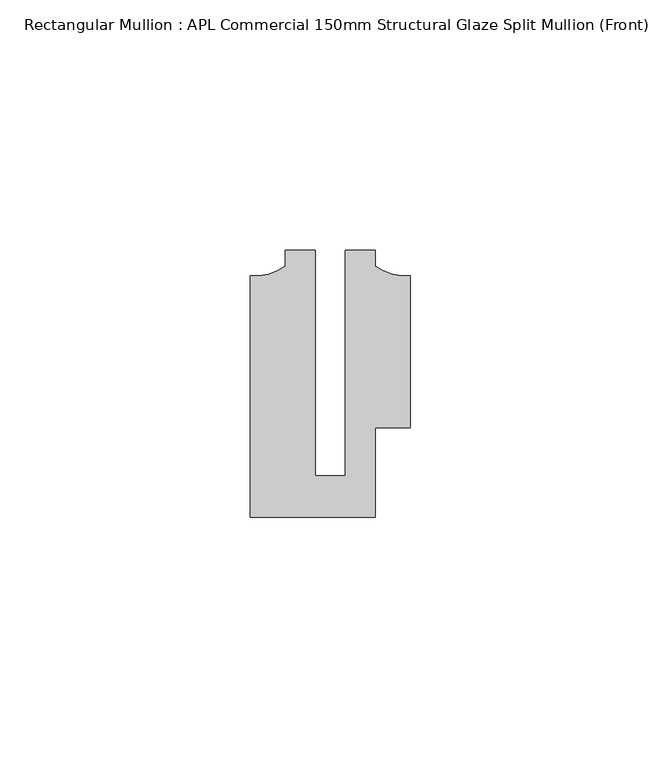
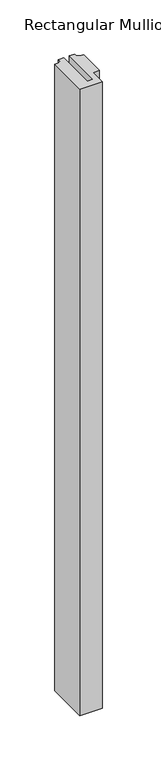
"""IFC4 building model written with IfcOpenShell, lengths in millimetres: member geometry, Rectangular Mullion : APL Commercial 150mm Structural Glaze Split Mullion (Front)."""

import ifcopenshell
import ifcopenshell.guid

model = None  # the IFC model being written
_history = None  # IfcOwnerHistory: only IFC2X3 demands one
_inside = {}  # id of a spatial element -> (the spatial element, [elements in it])
_under = {}  # id of a project, library or spatial element -> (it, [spatial elements below it])
_declared = {}  # id of a project -> (the project, [libraries it declares])
_typed = {}  # id of a type object -> (the type object, [elements of that type])
_made_of = {}  # id of a material, layer set ... -> (it, [elements and type objects made of it])


def new_model(schema):
    """Start an empty IFC model of exactly this schema.

    Asked for "IFC4X3", IfcOpenShell would pick the latest addendum, in which some entities
    have other attributes; the version numbers below select the first issue.
    IFC2X3 requires an IfcOwnerHistory on every rooted entity: one is made here for all.
    """
    global model, _history
    if schema == "IFC4X3":
        model = ifcopenshell.file(schema_version=(4, 3, 0, 0))
    else:
        model = ifcopenshell.file(schema=schema)
    _inside.clear()
    _under.clear()
    _declared.clear()
    _typed.clear()
    _made_of.clear()
    _history = None
    if model.schema == "IFC2X3":
        org = make("IfcOrganization", Name="unknown")
        user = make(
            "IfcPersonAndOrganization",
            ThePerson=make("IfcPerson", FamilyName="unknown"),
            TheOrganization=org,
        )
        app = make(
            "IfcApplication",
            ApplicationDeveloper=org,
            Version="unknown",
            ApplicationFullName="unknown",
            ApplicationIdentifier="unknown",
        )
        _history = make(
            "IfcOwnerHistory",
            OwningUser=user,
            OwningApplication=app,
            ChangeAction="ADDED",
            CreationDate=0,
        )
    return model


def make(cls, **values):
    """One entity of the class cls with the attributes given. An attribute that is None is left unset."""
    return model.create_entity(
        cls, **{name: value for name, value in values.items() if value is not None}
    )


def rooted(cls, **values):
    """An entity with a GlobalId (a new one), such as an element, a storey or a relation."""
    return make(cls, GlobalId=ifcopenshell.guid.new(), OwnerHistory=_history, **values)


def si_unit(unit_type, name, prefix=None):
    """IfcSIUnit, for example si_unit("LENGTHUNIT", "METRE", prefix="MILLI")."""
    return make("IfcSIUnit", UnitType=unit_type, Prefix=prefix, Name=name)


def assignment(units):
    """IfcUnitAssignment: the units of a project."""
    return None if units is None else make("IfcUnitAssignment", Units=units)


def point(xyz):
    """IfcCartesianPoint."""
    return None if xyz is None else make("IfcCartesianPoint", Coordinates=xyz)


def direction(xyz):
    """IfcDirection."""
    return None if xyz is None else make("IfcDirection", DirectionRatios=xyz)


def frame(location, z_axis=None, x_axis=None):
    """IfcAxis2Placement3D, a coordinate frame: its origin and axes. An axis left out is left unset."""
    return make(
        "IfcAxis2Placement3D",
        Location=point(location),
        Axis=direction(z_axis),
        RefDirection=direction(x_axis),
    )


def frame_2d(location, x_axis=None):
    """IfcAxis2Placement2D, a coordinate frame in the plane: its origin and x axis."""
    return make(
        "IfcAxis2Placement2D", Location=point(location), RefDirection=direction(x_axis)
    )


def origin():
    """The frame at (0, 0, 0) with its axes left unset."""
    return frame((0.0, 0.0, 0.0))


def place(relative_to, where):
    """IfcLocalPlacement: puts the frame where relative to a parent placement (None: the world)."""
    return make(
        "IfcLocalPlacement", PlacementRelTo=relative_to, RelativePlacement=where
    )


def context(
    kind, dimensions, precision=None, world=None, true_north=None, identifier=None
):
    """IfcGeometricRepresentationContext, for example the 3D "Model" context."""
    return make(
        "IfcGeometricRepresentationContext",
        ContextIdentifier=identifier,
        ContextType=kind,
        CoordinateSpaceDimension=dimensions,
        Precision=precision,
        WorldCoordinateSystem=world,
        TrueNorth=true_north,
    )


def project(units=None, contexts=None):
    """IfcProject with its units and contexts."""
    return rooted(
        "IfcProject",
        Name="project",
        RepresentationContexts=contexts,
        UnitsInContext=assignment(units),
    )


def spatial(cls, under=None, at=None, **own):
    """A site, building, storey or space (cls), placed at a placement, below another one or the project."""
    s = rooted(cls, ObjectPlacement=at, **own)
    if under is not None:
        _under.setdefault(under.id(), (under, []))[1].append(s)
    return s


def polyline(points):
    """IfcPolyline through the points."""
    return make("IfcPolyline", Points=[point(p) for p in points])


def circle_curve(where, radius):
    """IfcCircle in the frame where."""
    return make("IfcCircle", Position=where, Radius=radius)


def trimmed(basis, trim1, trim2, sense, master):
    """IfcTrimmedCurve: the piece of a basis curve between two trims."""
    return make(
        "IfcTrimmedCurve",
        BasisCurve=basis,
        Trim1=trim1,
        Trim2=trim2,
        SenseAgreement=sense,
        MasterRepresentation=master,
    )


def segment(curve, same_sense, transition):
    """IfcCompositeCurveSegment."""
    return make(
        "IfcCompositeCurveSegment",
        Transition=transition,
        SameSense=same_sense,
        ParentCurve=curve,
    )


def composite_curve(segments, self_intersect=None):
    """IfcCompositeCurve: segments joined end to end."""
    return make("IfcCompositeCurve", Segments=segments, SelfIntersect=self_intersect)


def outline(outer, holes=None, kind="AREA"):
    """IfcArbitraryClosedProfileDef: a profile drawn as a closed curve; with holes, ...WithVoids."""
    if holes is None:
        return make("IfcArbitraryClosedProfileDef", ProfileType=kind, OuterCurve=outer)
    return make(
        "IfcArbitraryProfileDefWithVoids",
        ProfileType=kind,
        OuterCurve=outer,
        InnerCurves=holes,
    )


def extrude(swept, where, along, depth):
    """IfcExtrudedAreaSolid: the profile swept, set in the frame where, extruded along a direction by depth."""
    return make(
        "IfcExtrudedAreaSolid",
        SweptArea=swept,
        Position=where,
        ExtrudedDirection=direction(along),
        Depth=depth,
    )


def shape(context_of_items, identifier, shape_type, items):
    """IfcShapeRepresentation: the items that make up one representation, for example the "Body"."""
    return make(
        "IfcShapeRepresentation",
        ContextOfItems=context_of_items,
        RepresentationIdentifier=identifier,
        RepresentationType=shape_type,
        Items=items,
    )


def source(mapping_origin, context_of_items, identifier, shape_type, items):
    """IfcRepresentationMap: a shape defined once, which mapped items show again and again."""
    return make(
        "IfcRepresentationMap",
        MappingOrigin=mapping_origin,
        MappedRepresentation=shape(context_of_items, identifier, shape_type, items),
    )


def transform(
    local_origin,
    x_axis=None,
    y_axis=None,
    z_axis=None,
    scale=None,
    scale2=None,
    scale3=None,
    uniform=True,
):
    """IfcCartesianTransformationOperator3D, or its non-uniform kind. x_axis, y_axis, z_axis: its Axis1, 2, 3."""
    if uniform:
        return make(
            "IfcCartesianTransformationOperator3D",
            Axis1=direction(x_axis),
            Axis2=direction(y_axis),
            LocalOrigin=point(local_origin),
            Scale=scale,
            Axis3=direction(z_axis),
        )
    return make(
        "IfcCartesianTransformationOperator3DnonUniform",
        Axis1=direction(x_axis),
        Axis2=direction(y_axis),
        LocalOrigin=point(local_origin),
        Scale=scale,
        Axis3=direction(z_axis),
        Scale2=scale2,
        Scale3=scale3,
    )


def mapped(mapping_source, mapping_target):
    """IfcMappedItem: shows the shape of a source again, moved by a transform."""
    return make(
        "IfcMappedItem", MappingSource=mapping_source, MappingTarget=mapping_target
    )


def made_of(thing, what):
    """Note that an element or type object is made of a material, layer set ...; save() writes the relation."""
    if what is not None:
        _made_of.setdefault(what.id(), (what, []))[1].append(thing)
    return thing


def element(
    cls,
    number,
    at=None,
    inside=None,
    cuts=None,
    type_object=None,
    material=None,
    context=None,
    identifier="Body",
    shape_type=None,
    held_by="IfcProductDefinitionShape",
    body=None,
    shapes=None,
    **own,
):
    """One element of the class cls, such as IfcWall. Its Tag is "e" and its number.

    at: its placement. inside: the storey or other place that contains it. cuts: it is an
    opening in that element (IfcRelVoidsElement). A single representation is given by context,
    identifier, shape_type and body (its items); several are given by shapes. held_by: the class
    of the entity that holds the representations. save() writes the other relations.
    """
    e = rooted(cls, Tag="e%d" % number, ObjectPlacement=at, **own)
    if body is not None:
        shapes = [shape(context, identifier, shape_type, body)]
    if shapes is not None:
        e.Representation = make(held_by, Representations=shapes)
    if inside is not None:
        _inside.setdefault(inside.id(), (inside, []))[1].append(e)
    if cuts is not None:
        rooted(
            "IfcRelVoidsElement", RelatingBuildingElement=cuts, RelatedOpeningElement=e
        )
    if type_object is not None:
        _typed.setdefault(type_object.id(), (type_object, []))[1].append(e)
    return made_of(e, material)


def aggregate(whole, parts):
    """IfcRelAggregates: a whole, such as a stair, and the parts it consists of."""
    return rooted("IfcRelAggregates", RelatingObject=whole, RelatedObjects=parts)


def save(model, path):
    """Write the relations noted so far, then the file.

    IfcRelAggregates (storeys below a building ...), IfcRelContainedInSpatialStructure (elements
    in a storey), IfcRelDefinesByType, IfcRelAssociatesMaterial and IfcRelDeclares: one each for
    every whole, place, type object, material and project.
    """
    for whole, parts in _under.values():
        aggregate(whole, parts)
    for where, things in _inside.values():
        rooted(
            "IfcRelContainedInSpatialStructure",
            RelatedElements=things,
            RelatingStructure=where,
        )
    for kind, things in _typed.values():
        rooted("IfcRelDefinesByType", RelatedObjects=things, RelatingType=kind)
    for what, things in _made_of.values():
        rooted("IfcRelAssociatesMaterial", RelatedObjects=things, RelatingMaterial=what)
    for by, libraries in _declared.values():
        rooted("IfcRelDeclares", RelatingContext=by, RelatedDefinitions=libraries)
    model.write(path)


def rectangular_mullion_apl_commercial_150mm_structural_glaze_9d51b1b6(model_context):
    return source(origin(), model_context, "Body", "SweptSolid", [
        extrude(outline(composite_curve([segment(polyline([(15.9999391, -14.9953356), (9.0, -14.9953356), (9.0, -32.7960123), (-15.9999391, -32.7960123), (-15.9999391, 15.3837352)]), True, "CONTINUOUS"), segment(trimmed(circle_curve(frame_2d((-15.1098019, 25.802169)), 10.4563907), [point((-15.9999391, 15.3837352))], [point((-8.9999842, 17.3165203))], True, "CARTESIAN"), True, "CONTINUOUS"), segment(polyline([(-8.9999842, 17.3165203), (-8.9999842, 20.5039877), (-2.9999659, 20.5039877), (-2.9999659, -24.5130805), (2.9999676, -24.5130805), (2.9999676, 20.5039877), (8.9999842, 20.5039877), (8.9999842, 17.3165203)]), True, "CONTINUOUS"), segment(trimmed(circle_curve(frame_2d((15.1098019, 25.802169)), 10.4563907), [point((8.9999842, 17.3165203))], [point((15.9999391, 15.3837352))], True, "CARTESIAN"), True, "CONTINUOUS"), segment(polyline([(15.9999391, 15.3837352), (15.9999391, -14.9953356)]), True, "CONTINUOUS")], self_intersect=False)), frame((0.0, 0.0, -734.0230006), z_axis=(0.0, 0.0, 1.0), x_axis=(1.0, 0.0, 0.0)), (0.0, 0.0, 1.0), 734.0230006),
    ])


if __name__ == "__main__":
    model = new_model("IFC4")
    model_context = context("Model", 3, world=origin())
    ifc_project = project(units=[si_unit("LENGTHUNIT", "METRE", prefix="MILLI")], contexts=[model_context])
    site = spatial("IfcSite", under=ifc_project)
    building = spatial("IfcBuilding", under=site)
    placement = place(None, origin())
    rectangular_mullion_apl_commercial_150mm_structural_glaze_shape = rectangular_mullion_apl_commercial_150mm_structural_glaze_9d51b1b6(model_context)
    element("IfcMember", 1, ObjectType="Rectangular Mullion : APL Commercial 150mm Structural Glaze Split Mullion (Front)", at=placement, inside=building, context=model_context, shape_type="MappedRepresentation", body=[
        mapped(rectangular_mullion_apl_commercial_150mm_structural_glaze_shape, transform((0.0, 0.0, 0.0), x_axis=(1.0, 0.0, 0.0), y_axis=(0.0, 1.0, 0.0), z_axis=(0.0, 0.0, 1.0))),
    ])
    save(model, "model.ifc")
